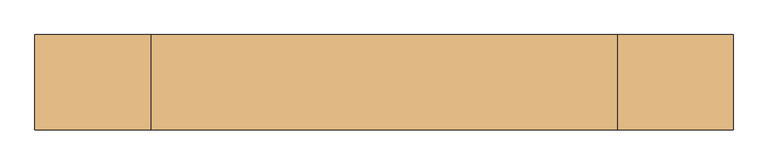
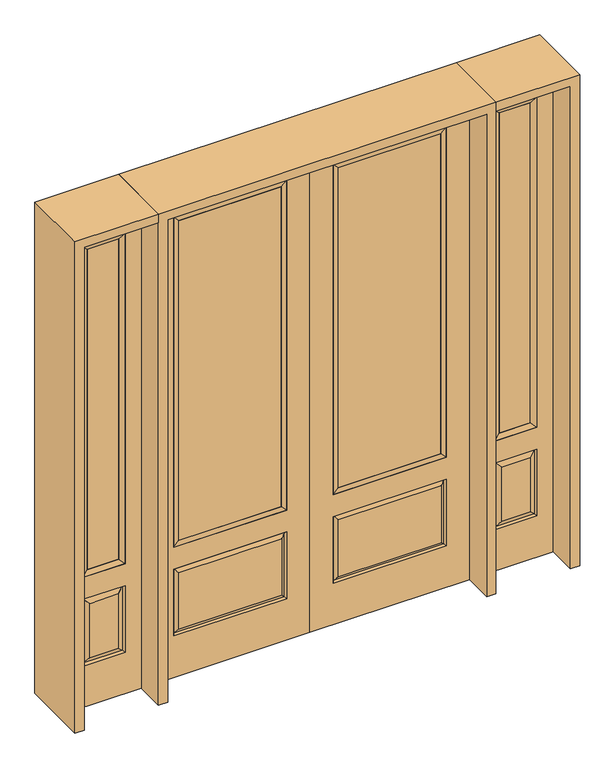
"""IFC4 building model written with IfcOpenShell, lengths in millimetres: door geometry."""

from ifc_helpers import new_model, si_unit, frame, origin, place, context, project, spatial, polyline, outline, extrude, faceted_brep, source, transform, mapped, element, save


def door_bd6435cf(model_context):
    return source(origin(), model_context, "Body", "SolidModel", [
        extrude(outline(polyline([(136.525, -20.32), (136.525, 5.08), (625.475, 5.08), (625.475, -20.32), (136.525, -20.32)])), frame((0.0, 0.0, 682.498), z_axis=(0.0, 0.0, 1.0), x_axis=(1.0, 0.0, 0.0)), (0.0, 0.0, 1.0), 1616.202),
        faceted_brep([(643.7661499, -12.7912373, 216.6588501), (626.26875, -22.225, 234.15625), (135.73125, -22.225, 234.15625), (118.2338501, -12.7912373, 216.6588501), (111.125, -22.225, 209.55), (650.875, -22.225, 209.55), (650.875, -22.225, 546.1), (643.7661499, -12.7912373, 538.9911499), (0.0, -22.225, 2438.4), (0.0, -22.225, 0.0), (762.0, -22.225, 0.0), (762.0, -22.225, 2438.4), (111.125, -22.225, 546.1), (111.125, -22.225, 2324.1), (650.875, -22.225, 2324.1), (650.875, -22.225, 657.098), (111.125, -22.225, 657.098), (626.26875, -22.225, 521.49375), (135.73125, -22.225, 521.49375), (118.2338501, -12.7912373, 538.9911499), (762.0, 22.225, 0.0), (762.0, 22.225, 2438.4), (0.0, 22.225, 0.0), (0.0, 22.225, 2438.4), (111.125, 22.225, 657.098), (111.125, 22.225, 2324.1), (650.875, 22.225, 657.098), (650.875, 22.225, 2324.1), (135.73125, 22.225, 234.15625), (135.73125, 22.225, 521.49375), (626.26875, 22.225, 521.49375), (626.26875, 22.225, 234.15625), (650.875, 22.225, 209.55), (650.875, 22.225, 546.1), (111.125, 22.225, 546.1), (111.125, 22.225, 209.55), (118.2338501, 12.7912373, 216.6588501), (643.7661499, 12.7912373, 216.6588501), (118.2338501, 12.7912373, 538.9911499), (643.7661499, 12.7912373, 538.9911499)], [[[0, 1, 2, 3]], [[3, 4, 5, 0]], [[5, 6, 7, 0]], [[8, 9, 10, 11], [4, 12, 6, 5], [13, 14, 15, 16]], [[1, 17, 18, 2]], [[3, 19, 12, 4]], [[2, 18, 19, 3]], [[0, 7, 17, 1]], [[6, 12, 19, 7]], [[7, 19, 18, 17]], [[10, 20, 21, 11]], [[9, 22, 20, 10]], [[8, 23, 22, 9]], [[16, 24, 25, 13]], [[15, 26, 24, 16]], [[14, 27, 26, 15]], [[28, 29, 30, 31]], [[23, 21, 20, 22], [25, 24, 26, 27], [32, 33, 34, 35]], [[32, 35, 36, 37]], [[35, 34, 38, 36]], [[39, 38, 34, 33]], [[37, 39, 33, 32]], [[36, 28, 31, 37]], [[31, 30, 39, 37]], [[30, 29, 38, 39]], [[36, 38, 29, 28]], [[11, 21, 23, 8]], [[13, 25, 27, 14]]]),
        faceted_brep([(650.875, -22.225, 2324.1), (650.875, -22.225, 657.098), (650.875, 22.225, 657.098), (650.875, 22.225, 2324.1), (111.125, -22.225, 657.098), (111.125, 22.225, 657.098), (136.525, 5.08, 682.498), (625.475, 5.08, 682.498), (111.125, -22.225, 2324.1), (111.125, 22.225, 2324.1), (625.475, -20.32, 682.498), (136.525, -20.32, 682.498), (625.475, -20.32, 2298.7), (136.525, -20.32, 2298.7), (625.475, 5.08, 2298.7), (136.525, 5.08, 2298.7)], [[[0, 1, 2, 3]], [[1, 4, 5, 2]], [[2, 5, 6, 7]], [[4, 8, 9, 5]], [[10, 11, 4, 1]], [[12, 10, 1, 0]], [[11, 13, 8, 4]], [[7, 6, 11, 10]], [[14, 7, 10, 12]], [[6, 15, 13, 11]], [[3, 2, 7, 14]], [[5, 9, 15, 6]], [[8, 0, 3, 9]], [[13, 12, 0, 8]], [[15, 14, 12, 13]], [[9, 3, 14, 15]]]),
        faceted_brep([(806.45, -22.225, 0.0), (1162.05, -22.225, 0.0), (1162.05, -22.225, 2438.4), (806.45, -22.225, 2438.4), (1084.58, -22.225, 2325.624), (1084.58, -22.225, 657.098), (883.92, -22.225, 657.098), (883.92, -22.225, 2325.624), (1084.58, -22.225, 209.55), (883.92, -22.225, 209.55), (883.92, -22.225, 546.1), (1084.58, -22.225, 546.1), (915.6351001, -22.225, 241.2651001), (1052.8648999, -22.225, 241.2651001), (1052.8648999, -22.225, 514.3848999), (915.6351001, -22.225, 514.3848999), (806.45, 22.225, 0.0), (806.45, 22.225, 2438.4), (1162.05, 22.225, 2438.4), (1162.05, 22.225, 0.0), (1084.58, 22.225, 2325.624), (883.92, 22.225, 2325.624), (883.92, 22.225, 657.098), (1084.58, 22.225, 657.098), (883.92, 22.225, 209.55), (1084.58, 22.225, 209.55), (1084.58, 22.225, 546.1), (883.92, 22.225, 546.1), (1052.8648999, 22.225, 241.2651001), (915.6351001, 22.225, 241.2651001), (915.6351001, 22.225, 514.3848999), (1052.8648999, 22.225, 514.3848999), (1077.4711499, 12.7912373, 216.6588501), (891.0288501, 12.7912373, 216.6588501), (891.0288501, 12.7912373, 538.9911499), (1077.4711499, 12.7912373, 538.9911499), (891.0288501, -12.7912373, 216.6588501), (1077.4711499, -12.7912373, 216.6588501), (891.0288501, -12.7912373, 538.9911499), (1077.4711499, -12.7912373, 538.9911499)], [[[0, 1, 2, 3], [4, 5, 6, 7], [8, 9, 10, 11]], [[12, 13, 14, 15]], [[16, 17, 18, 19], [20, 21, 22, 23], [24, 25, 26, 27]], [[28, 29, 30, 31]], [[1, 0, 16, 19]], [[2, 1, 19, 18]], [[3, 2, 18, 17]], [[0, 3, 17, 16]], [[5, 4, 20, 23]], [[6, 5, 23, 22]], [[7, 6, 22, 21]], [[4, 7, 21, 20]], [[32, 33, 29, 28]], [[33, 32, 25, 24]], [[29, 33, 34, 30]], [[33, 24, 27, 34]], [[30, 34, 35, 31]], [[34, 27, 26, 35]], [[32, 28, 31, 35]], [[25, 32, 35, 26]], [[12, 36, 37, 13]], [[37, 36, 9, 8]], [[36, 12, 15, 38]], [[9, 36, 38, 10]], [[38, 15, 14, 39]], [[10, 38, 39, 11]], [[13, 37, 39, 14]], [[37, 8, 11, 39]]]),
        faceted_brep([(883.92, 22.225, 2325.624), (883.92, -22.225, 2325.624), (1084.58, -22.225, 2325.624), (1084.58, 22.225, 2325.624), (909.32, 12.7, 2300.224), (1059.18, 12.7, 2300.224), (909.32, -12.7, 2300.224), (1059.18, -12.7, 2300.224), (1084.58, -22.225, 657.098), (1084.58, 22.225, 657.098), (1059.18, 12.7, 682.498), (1059.18, -12.7, 682.498), (883.92, -22.225, 657.098), (883.92, 22.225, 657.098), (909.32, 12.7, 682.498), (909.32, -12.7, 682.498)], [[[0, 1, 2, 3]], [[4, 0, 3, 5]], [[6, 4, 5, 7]], [[1, 6, 7, 2]], [[3, 2, 8, 9]], [[5, 3, 9, 10]], [[7, 5, 10, 11]], [[2, 7, 11, 8]], [[9, 8, 12, 13]], [[10, 9, 13, 14]], [[11, 10, 14, 15]], [[8, 11, 15, 12]], [[13, 12, 1, 0]], [[14, 13, 0, 4]], [[15, 14, 4, 6]], [[12, 15, 6, 1]]]),
        extrude(outline(polyline([(1059.18, -12.7), (909.32, -12.7), (909.32, 12.7), (1059.18, 12.7), (1059.18, -12.7)])), frame((0.0, 0.0, 682.498), z_axis=(0.0, 0.0, 1.0), x_axis=(1.0, 0.0, 0.0)), (0.0, 0.0, 1.0), 1617.726),
        faceted_brep([(-1162.05, -22.225, 0.0), (-806.45, -22.225, 0.0), (-806.45, -22.225, 2438.4), (-1162.05, -22.225, 2438.4), (-883.92, -22.225, 2325.624), (-883.92, -22.225, 657.098), (-1084.58, -22.225, 657.098), (-1084.58, -22.225, 2325.624), (-883.92, -22.225, 209.55), (-1084.58, -22.225, 209.55), (-1084.58, -22.225, 546.1), (-883.92, -22.225, 546.1), (-1052.8648999, -22.225, 241.2651001), (-915.6351001, -22.225, 241.2651001), (-915.6351001, -22.225, 514.3848999), (-1052.8648999, -22.225, 514.3848999), (-1162.05, 22.225, 0.0), (-1162.05, 22.225, 2438.4), (-806.45, 22.225, 2438.4), (-806.45, 22.225, 0.0), (-883.92, 22.225, 2325.624), (-1084.58, 22.225, 2325.624), (-1084.58, 22.225, 657.098), (-883.92, 22.225, 657.098), (-1084.58, 22.225, 209.55), (-883.92, 22.225, 209.55), (-883.92, 22.225, 546.1), (-1084.58, 22.225, 546.1), (-915.6351001, 22.225, 241.2651001), (-1052.8648999, 22.225, 241.2651001), (-1052.8648999, 22.225, 514.3848999), (-915.6351001, 22.225, 514.3848999), (-891.0288501, 12.7912373, 216.6588501), (-1077.4711499, 12.7912373, 216.6588501), (-1077.4711499, 12.7912373, 538.9911499), (-891.0288501, 12.7912373, 538.9911499), (-1077.4711499, -12.7912373, 216.6588501), (-891.0288501, -12.7912373, 216.6588501), (-1077.4711499, -12.7912373, 538.9911499), (-891.0288501, -12.7912373, 538.9911499)], [[[0, 1, 2, 3], [4, 5, 6, 7], [8, 9, 10, 11]], [[12, 13, 14, 15]], [[16, 17, 18, 19], [20, 21, 22, 23], [24, 25, 26, 27]], [[28, 29, 30, 31]], [[1, 0, 16, 19]], [[2, 1, 19, 18]], [[3, 2, 18, 17]], [[0, 3, 17, 16]], [[5, 4, 20, 23]], [[6, 5, 23, 22]], [[7, 6, 22, 21]], [[4, 7, 21, 20]], [[32, 33, 29, 28]], [[33, 32, 25, 24]], [[29, 33, 34, 30]], [[33, 24, 27, 34]], [[30, 34, 35, 31]], [[34, 27, 26, 35]], [[32, 28, 31, 35]], [[25, 32, 35, 26]], [[12, 36, 37, 13]], [[37, 36, 9, 8]], [[36, 12, 15, 38]], [[9, 36, 38, 10]], [[38, 15, 14, 39]], [[10, 38, 39, 11]], [[13, 37, 39, 14]], [[37, 8, 11, 39]]]),
        faceted_brep([(-1084.58, 22.225, 2325.624), (-1084.58, -22.225, 2325.624), (-883.92, -22.225, 2325.624), (-883.92, 22.225, 2325.624), (-1059.18, 12.7, 2300.224), (-909.32, 12.7, 2300.224), (-1059.18, -12.7, 2300.224), (-909.32, -12.7, 2300.224), (-883.92, -22.225, 657.098), (-883.92, 22.225, 657.098), (-909.32, 12.7, 682.498), (-909.32, -12.7, 682.498), (-1084.58, -22.225, 657.098), (-1084.58, 22.225, 657.098), (-1059.18, 12.7, 682.498), (-1059.18, -12.7, 682.498)], [[[0, 1, 2, 3]], [[4, 0, 3, 5]], [[6, 4, 5, 7]], [[1, 6, 7, 2]], [[3, 2, 8, 9]], [[5, 3, 9, 10]], [[7, 5, 10, 11]], [[2, 7, 11, 8]], [[9, 8, 12, 13]], [[10, 9, 13, 14]], [[11, 10, 14, 15]], [[8, 11, 15, 12]], [[13, 12, 1, 0]], [[14, 13, 0, 4]], [[15, 14, 4, 6]], [[12, 15, 6, 1]]]),
        extrude(outline(polyline([(-909.32, -12.7), (-1059.18, -12.7), (-1059.18, 12.7), (-909.32, 12.7), (-909.32, -12.7)])), frame((0.0, 0.0, 682.498), z_axis=(0.0, 0.0, 1.0), x_axis=(1.0, 0.0, 0.0)), (0.0, 0.0, 1.0), 1617.726),
        extrude(outline(polyline([(-136.525, -20.32), (-625.475, -20.32), (-625.475, 5.08), (-136.525, 5.08), (-136.525, -20.32)])), frame((0.0, 0.0, 682.498), z_axis=(0.0, 0.0, 1.0), x_axis=(1.0, 0.0, 0.0)), (0.0, 0.0, 1.0), 1616.202),
        faceted_brep([(-643.7661499, -12.7912373, 216.6588501), (-118.2338501, -12.7912373, 216.6588501), (-135.73125, -22.225, 234.15625), (-626.26875, -22.225, 234.15625), (-650.875, -22.225, 209.55), (-111.125, -22.225, 209.55), (-643.7661499, -12.7912373, 538.9911499), (-650.875, -22.225, 546.1), (-135.73125, -22.225, 521.49375), (-626.26875, -22.225, 521.49375), (0.0, -22.225, 2438.4), (-762.0, -22.225, 2438.4), (-762.0, -22.225, 0.0), (0.0, -22.225, 0.0), (-111.125, -22.225, 546.1), (-111.125, -22.225, 2324.1), (-111.125, -22.225, 657.098), (-650.875, -22.225, 657.098), (-650.875, -22.225, 2324.1), (-118.2338501, -12.7912373, 538.9911499), (-762.0, 22.225, 2438.4), (-762.0, 22.225, 0.0), (0.0, 22.225, 0.0), (0.0, 22.225, 2438.4), (-111.125, 22.225, 2324.1), (-111.125, 22.225, 657.098), (-650.875, 22.225, 657.098), (-650.875, 22.225, 2324.1), (-650.875, 22.225, 209.55), (-111.125, 22.225, 209.55), (-111.125, 22.225, 546.1), (-650.875, 22.225, 546.1), (-135.73125, 22.225, 234.15625), (-626.26875, 22.225, 234.15625), (-626.26875, 22.225, 521.49375), (-135.73125, 22.225, 521.49375), (-643.7661499, 12.7912373, 216.6588501), (-118.2338501, 12.7912373, 216.6588501), (-118.2338501, 12.7912373, 538.9911499), (-643.7661499, 12.7912373, 538.9911499)], [[[0, 1, 2, 3]], [[1, 0, 4, 5]], [[4, 0, 6, 7]], [[3, 2, 8, 9]], [[10, 11, 12, 13], [5, 4, 7, 14], [15, 16, 17, 18]], [[1, 5, 14, 19]], [[2, 1, 19, 8]], [[0, 3, 9, 6]], [[7, 6, 19, 14]], [[6, 9, 8, 19]], [[12, 11, 20, 21]], [[13, 12, 21, 22]], [[10, 13, 22, 23]], [[16, 15, 24, 25]], [[17, 16, 25, 26]], [[18, 17, 26, 27]], [[23, 22, 21, 20], [28, 29, 30, 31], [24, 27, 26, 25]], [[32, 33, 34, 35]], [[28, 36, 37, 29]], [[29, 37, 38, 30]], [[39, 31, 30, 38]], [[36, 28, 31, 39]], [[37, 36, 33, 32]], [[33, 36, 39, 34]], [[34, 39, 38, 35]], [[37, 32, 35, 38]], [[11, 10, 23, 20]], [[15, 18, 27, 24]]]),
        faceted_brep([(-650.875, -22.225, 2324.1), (-650.875, 22.225, 2324.1), (-650.875, 22.225, 657.098), (-650.875, -22.225, 657.098), (-111.125, 22.225, 657.098), (-111.125, -22.225, 657.098), (-625.475, 5.08, 682.498), (-136.525, 5.08, 682.498), (-111.125, 22.225, 2324.1), (-111.125, -22.225, 2324.1), (-625.475, -20.32, 682.498), (-136.525, -20.32, 682.498), (-625.475, -20.32, 2298.7), (-136.525, -20.32, 2298.7), (-625.475, 5.08, 2298.7), (-136.525, 5.08, 2298.7)], [[[0, 1, 2, 3]], [[3, 2, 4, 5]], [[2, 6, 7, 4]], [[5, 4, 8, 9]], [[10, 3, 5, 11]], [[12, 0, 3, 10]], [[11, 5, 9, 13]], [[6, 10, 11, 7]], [[14, 12, 10, 6]], [[7, 11, 13, 15]], [[1, 14, 6, 2]], [[4, 7, 15, 8]], [[9, 8, 1, 0]], [[13, 9, 0, 12]], [[15, 13, 12, 14]], [[8, 15, 14, 1]]]),
        extrude(outline(polyline([(2438.4, -806.45), (2482.85, -806.45), (2482.85, -1206.5), (0.0, -1206.5), (0.0, -1162.05), (2438.4, -1162.05), (2438.4, -806.45)])), frame((0.0, -165.1, 0.0), z_axis=(0.0, 1.0, 0.0), x_axis=(0.0, 0.0, 1.0)), (0.0, 0.0, 1.0), 330.2),
        extrude(outline(polyline([(2482.85, -806.45), (0.0, -806.45), (0.0, -762.0), (2438.4, -762.0), (2438.4, 762.0), (0.0, 762.0), (0.0, 806.45), (2482.85, 806.45), (2482.85, -806.45)])), frame((0.0, -165.1, 0.0), z_axis=(0.0, 1.0, 0.0), x_axis=(0.0, 0.0, 1.0)), (0.0, 0.0, 1.0), 330.2),
        extrude(outline(polyline([(0.0, 1162.05), (0.0, 1206.5), (2482.85, 1206.5), (2482.85, 806.45), (2438.4, 806.45), (2438.4, 1162.05), (0.0, 1162.05)])), frame((0.0, -165.1, 0.0), z_axis=(0.0, 1.0, 0.0), x_axis=(0.0, 0.0, 1.0)), (0.0, 0.0, 1.0), 330.2),
    ])


if __name__ == "__main__":
    model = new_model("IFC4")
    model_context = context("Model", 3, world=origin())
    ifc_project = project(units=[si_unit("LENGTHUNIT", "METRE", prefix="MILLI")], contexts=[model_context])
    site = spatial("IfcSite", under=ifc_project)
    building = spatial("IfcBuilding", under=site)
    placement = place(None, origin())
    door_shape = door_bd6435cf(model_context)
    element("IfcDoor", 1, at=placement, inside=building, context=model_context, shape_type="MappedRepresentation", body=[
        mapped(door_shape, transform((0.0, 0.0, 0.0), x_axis=(1.0, 0.0, 0.0), y_axis=(0.0, 1.0, 0.0), z_axis=(0.0, 0.0, 1.0))),
    ])
    save(model, "model.ifc")
